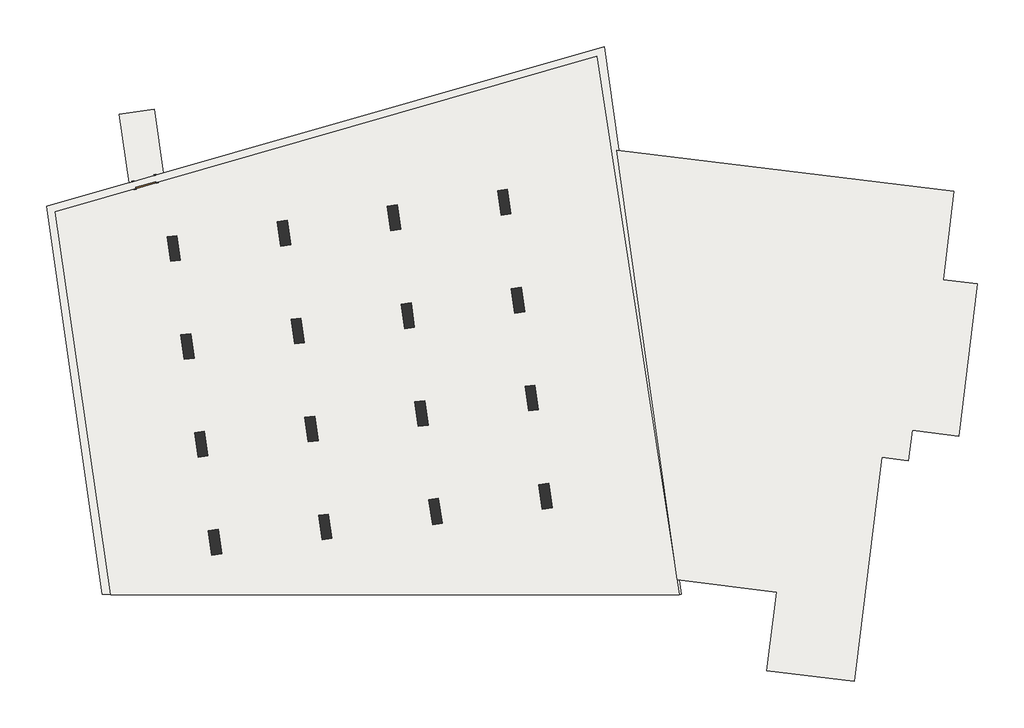
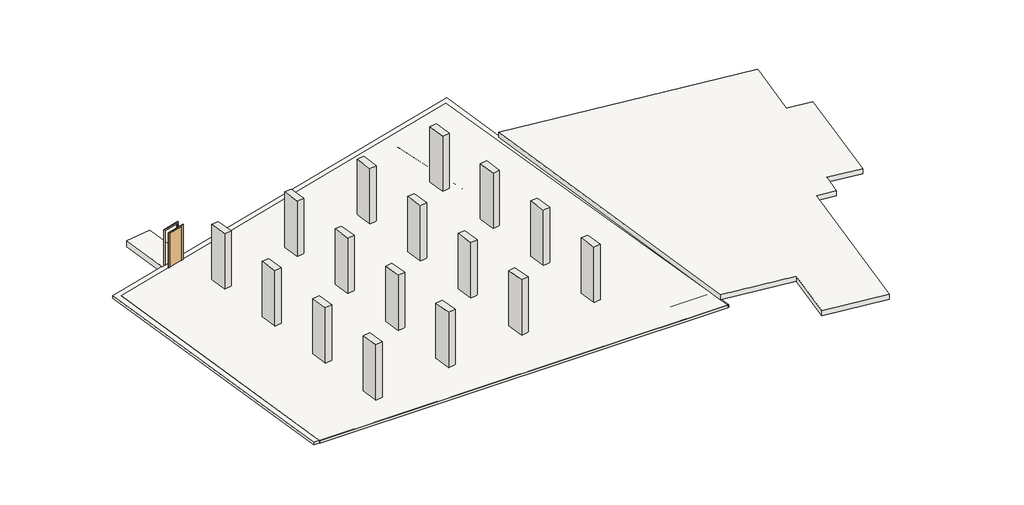
# One storey: 16 walls, 4 slabs, 1 door, 1 roof.
"""IFC4 building model written with IfcOpenShell, lengths in millimetres."""

import ifcopenshell
import ifcopenshell.guid

model = None  # the IFC model being written
_history = None  # IfcOwnerHistory: only IFC2X3 demands one
_inside = {}  # id of a spatial element -> (the spatial element, [elements in it])
_under = {}  # id of a project, library or spatial element -> (it, [spatial elements below it])
_declared = {}  # id of a project -> (the project, [libraries it declares])
_typed = {}  # id of a type object -> (the type object, [elements of that type])
_made_of = {}  # id of a material, layer set ... -> (it, [elements and type objects made of it])


def new_model(schema):
    """Start an empty IFC model of exactly this schema.

    Asked for "IFC4X3", IfcOpenShell would pick the latest addendum, in which some entities
    have other attributes; the version numbers below select the first issue.
    IFC2X3 requires an IfcOwnerHistory on every rooted entity: one is made here for all.
    """
    global model, _history
    if schema == "IFC4X3":
        model = ifcopenshell.file(schema_version=(4, 3, 0, 0))
    else:
        model = ifcopenshell.file(schema=schema)
    _inside.clear()
    _under.clear()
    _declared.clear()
    _typed.clear()
    _made_of.clear()
    _history = None
    if model.schema == "IFC2X3":
        org = make("IfcOrganization", Name="unknown")
        user = make(
            "IfcPersonAndOrganization",
            ThePerson=make("IfcPerson", FamilyName="unknown"),
            TheOrganization=org,
        )
        app = make(
            "IfcApplication",
            ApplicationDeveloper=org,
            Version="unknown",
            ApplicationFullName="unknown",
            ApplicationIdentifier="unknown",
        )
        _history = make(
            "IfcOwnerHistory",
            OwningUser=user,
            OwningApplication=app,
            ChangeAction="ADDED",
            CreationDate=0,
        )
    return model


def make(cls, **values):
    """One entity of the class cls with the attributes given. An attribute that is None is left unset."""
    return model.create_entity(
        cls, **{name: value for name, value in values.items() if value is not None}
    )


def rooted(cls, **values):
    """An entity with a GlobalId (a new one), such as an element, a storey or a relation."""
    return make(cls, GlobalId=ifcopenshell.guid.new(), OwnerHistory=_history, **values)


def si_unit(unit_type, name, prefix=None):
    """IfcSIUnit, for example si_unit("LENGTHUNIT", "METRE", prefix="MILLI")."""
    return make("IfcSIUnit", UnitType=unit_type, Prefix=prefix, Name=name)


def assignment(units):
    """IfcUnitAssignment: the units of a project."""
    return None if units is None else make("IfcUnitAssignment", Units=units)


def point(xyz):
    """IfcCartesianPoint."""
    return None if xyz is None else make("IfcCartesianPoint", Coordinates=xyz)


def direction(xyz):
    """IfcDirection."""
    return None if xyz is None else make("IfcDirection", DirectionRatios=xyz)


def frame(location, z_axis=None, x_axis=None):
    """IfcAxis2Placement3D, a coordinate frame: its origin and axes. An axis left out is left unset."""
    return make(
        "IfcAxis2Placement3D",
        Location=point(location),
        Axis=direction(z_axis),
        RefDirection=direction(x_axis),
    )


def frame_2d(location, x_axis=None):
    """IfcAxis2Placement2D, a coordinate frame in the plane: its origin and x axis."""
    return make(
        "IfcAxis2Placement2D", Location=point(location), RefDirection=direction(x_axis)
    )


def origin():
    """The frame at (0, 0, 0) with its axes left unset."""
    return frame((0.0, 0.0, 0.0))


def origin_with_axes():
    """The frame at (0, 0, 0) with the z axis (0, 0, 1) and the x axis (1, 0, 0) written out."""
    return frame((0.0, 0.0, 0.0), z_axis=(0.0, 0.0, 1.0), x_axis=(1.0, 0.0, 0.0))


def place(relative_to, where):
    """IfcLocalPlacement: puts the frame where relative to a parent placement (None: the world)."""
    return make(
        "IfcLocalPlacement", PlacementRelTo=relative_to, RelativePlacement=where
    )


def context(
    kind, dimensions, precision=None, world=None, true_north=None, identifier=None
):
    """IfcGeometricRepresentationContext, for example the 3D "Model" context."""
    return make(
        "IfcGeometricRepresentationContext",
        ContextIdentifier=identifier,
        ContextType=kind,
        CoordinateSpaceDimension=dimensions,
        Precision=precision,
        WorldCoordinateSystem=world,
        TrueNorth=true_north,
    )


def project(units=None, contexts=None):
    """IfcProject with its units and contexts."""
    return rooted(
        "IfcProject",
        Name="project",
        RepresentationContexts=contexts,
        UnitsInContext=assignment(units),
    )


def spatial(cls, under=None, at=None, **own):
    """A site, building, storey or space (cls), placed at a placement, below another one or the project."""
    s = rooted(cls, ObjectPlacement=at, **own)
    if under is not None:
        _under.setdefault(under.id(), (under, []))[1].append(s)
    return s


def polyline(points):
    """IfcPolyline through the points."""
    return make("IfcPolyline", Points=[point(p) for p in points])


def circle_curve(where, radius):
    """IfcCircle in the frame where."""
    return make("IfcCircle", Position=where, Radius=radius)


def trimmed(basis, trim1, trim2, sense, master):
    """IfcTrimmedCurve: the piece of a basis curve between two trims."""
    return make(
        "IfcTrimmedCurve",
        BasisCurve=basis,
        Trim1=trim1,
        Trim2=trim2,
        SenseAgreement=sense,
        MasterRepresentation=master,
    )


def segment(curve, same_sense, transition):
    """IfcCompositeCurveSegment."""
    return make(
        "IfcCompositeCurveSegment",
        Transition=transition,
        SameSense=same_sense,
        ParentCurve=curve,
    )


def composite_curve(segments, self_intersect=None):
    """IfcCompositeCurve: segments joined end to end."""
    return make("IfcCompositeCurve", Segments=segments, SelfIntersect=self_intersect)


def outline(outer, holes=None, kind="AREA"):
    """IfcArbitraryClosedProfileDef: a profile drawn as a closed curve; with holes, ...WithVoids."""
    if holes is None:
        return make("IfcArbitraryClosedProfileDef", ProfileType=kind, OuterCurve=outer)
    return make(
        "IfcArbitraryProfileDefWithVoids",
        ProfileType=kind,
        OuterCurve=outer,
        InnerCurves=holes,
    )


def extrude(swept, where, along, depth):
    """IfcExtrudedAreaSolid: the profile swept, set in the frame where, extruded along a direction by depth."""
    return make(
        "IfcExtrudedAreaSolid",
        SweptArea=swept,
        Position=where,
        ExtrudedDirection=direction(along),
        Depth=depth,
    )


def shape(context_of_items, identifier, shape_type, items):
    """IfcShapeRepresentation: the items that make up one representation, for example the "Body"."""
    return make(
        "IfcShapeRepresentation",
        ContextOfItems=context_of_items,
        RepresentationIdentifier=identifier,
        RepresentationType=shape_type,
        Items=items,
    )


def source(mapping_origin, context_of_items, identifier, shape_type, items):
    """IfcRepresentationMap: a shape defined once, which mapped items show again and again."""
    return make(
        "IfcRepresentationMap",
        MappingOrigin=mapping_origin,
        MappedRepresentation=shape(context_of_items, identifier, shape_type, items),
    )


def transform(
    local_origin,
    x_axis=None,
    y_axis=None,
    z_axis=None,
    scale=None,
    scale2=None,
    scale3=None,
    uniform=True,
):
    """IfcCartesianTransformationOperator3D, or its non-uniform kind. x_axis, y_axis, z_axis: its Axis1, 2, 3."""
    if uniform:
        return make(
            "IfcCartesianTransformationOperator3D",
            Axis1=direction(x_axis),
            Axis2=direction(y_axis),
            LocalOrigin=point(local_origin),
            Scale=scale,
            Axis3=direction(z_axis),
        )
    return make(
        "IfcCartesianTransformationOperator3DnonUniform",
        Axis1=direction(x_axis),
        Axis2=direction(y_axis),
        LocalOrigin=point(local_origin),
        Scale=scale,
        Axis3=direction(z_axis),
        Scale2=scale2,
        Scale3=scale3,
    )


def mapped(mapping_source, mapping_target):
    """IfcMappedItem: shows the shape of a source again, moved by a transform."""
    return make(
        "IfcMappedItem", MappingSource=mapping_source, MappingTarget=mapping_target
    )


def made_of(thing, what):
    """Note that an element or type object is made of a material, layer set ...; save() writes the relation."""
    if what is not None:
        _made_of.setdefault(what.id(), (what, []))[1].append(thing)
    return thing


def element(
    cls,
    number,
    at=None,
    inside=None,
    cuts=None,
    type_object=None,
    material=None,
    context=None,
    identifier="Body",
    shape_type=None,
    held_by="IfcProductDefinitionShape",
    body=None,
    shapes=None,
    **own,
):
    """One element of the class cls, such as IfcWall. Its Tag is "e" and its number.

    at: its placement. inside: the storey or other place that contains it. cuts: it is an
    opening in that element (IfcRelVoidsElement). A single representation is given by context,
    identifier, shape_type and body (its items); several are given by shapes. held_by: the class
    of the entity that holds the representations. save() writes the other relations.
    """
    e = rooted(cls, Tag="e%d" % number, ObjectPlacement=at, **own)
    if body is not None:
        shapes = [shape(context, identifier, shape_type, body)]
    if shapes is not None:
        e.Representation = make(held_by, Representations=shapes)
    if inside is not None:
        _inside.setdefault(inside.id(), (inside, []))[1].append(e)
    if cuts is not None:
        rooted(
            "IfcRelVoidsElement", RelatingBuildingElement=cuts, RelatedOpeningElement=e
        )
    if type_object is not None:
        _typed.setdefault(type_object.id(), (type_object, []))[1].append(e)
    return made_of(e, material)


def aggregate(whole, parts):
    """IfcRelAggregates: a whole, such as a stair, and the parts it consists of."""
    return rooted("IfcRelAggregates", RelatingObject=whole, RelatedObjects=parts)


def save(model, path):
    """Write the relations noted so far, then the file.

    IfcRelAggregates (storeys below a building ...), IfcRelContainedInSpatialStructure (elements
    in a storey), IfcRelDefinesByType, IfcRelAssociatesMaterial and IfcRelDeclares: one each for
    every whole, place, type object, material and project.
    """
    for whole, parts in _under.values():
        aggregate(whole, parts)
    for where, things in _inside.values():
        rooted(
            "IfcRelContainedInSpatialStructure",
            RelatedElements=things,
            RelatingStructure=where,
        )
    for kind, things in _typed.values():
        rooted("IfcRelDefinesByType", RelatedObjects=things, RelatingType=kind)
    for what, things in _made_of.values():
        rooted("IfcRelAssociatesMaterial", RelatedObjects=things, RelatingMaterial=what)
    for by, libraries in _declared.values():
        rooted("IfcRelDeclares", RelatingContext=by, RelatedDefinitions=libraries)
    model.write(path)


def door_0762_x_2032mm_eb2e5302(model_context):
    return source(origin(), model_context, "Body", "SweptSolid", [
        extrude(outline(polyline([(2108.0, -501.0), (0.0, -501.0), (0.0, -425.0), (2032.0, -425.0), (2032.0, 425.0), (0.0, 425.0), (0.0, 501.0), (2108.0, 501.0), (2108.0, -501.0)])), frame((0.0, -175.0, 0.0), z_axis=(0.0, 1.0, 0.0), x_axis=(0.0, 0.0, 1.0)), (0.0, 0.0, 1.0), 25.0),
        extrude(outline(polyline([(2108.0, 501.0), (2108.0, -501.0), (0.0, -501.0), (0.0, -425.0), (2032.0, -425.0), (2032.0, 425.0), (0.0, 425.0), (0.0, 501.0), (2108.0, 501.0)])), frame((0.0, 150.0, 0.0), z_axis=(0.0, 1.0, 0.0), x_axis=(0.0, 0.0, 1.0)), (0.0, 0.0, 1.0), 25.0),
        extrude(outline(polyline([(425.0, -99.0), (425.0, -150.0), (-425.0, -150.0), (-425.0, -99.0), (425.0, -99.0)])), origin_with_axes(), (0.0, 0.0, 1.0), 2032.0),
    ])


model = new_model("IFC4")

# Units and contexts
model_context = context("Model", 3, world=origin())
ifc_project = project(units=[si_unit("LENGTHUNIT", "METRE", prefix="MILLI")], contexts=[model_context])

# Site, building, storey
site = spatial("IfcSite", under=ifc_project)
building = spatial("IfcBuilding", under=site)
storey = spatial("IfcBuildingStorey", under=building, Elevation=19200.0)

# Door
placement = place(None, origin())
door_0762_x_2032mm_shape = door_0762_x_2032mm_eb2e5302(model_context)
element("IfcDoor", 1, ObjectType="0762 x 2032mm", at=placement, inside=storey, context=model_context, shape_type="MappedRepresentation", body=[
    mapped(door_0762_x_2032mm_shape, transform((-38680.3678833, 47608.4073372, 19200.0), x_axis=(0.9612616959383197, 0.27563735581699605, 0.0), y_axis=(-0.27563735581699605, 0.9612616959383197, 0.0), z_axis=(0.0, 0.0, 1.0))),
])

# Roof
element("IfcRoof", 2, at=placement, inside=storey, context=model_context, shape_type="SweptSolid", body=[
    extrude(outline(polyline([(-19599.9741011, 48903.7142202), (-5967.0578254, 47229.8025815), (-6405.7874617, 43656.6364356), (-5016.2228494, 43486.0193548), (-5771.8127785, 37332.2332146), (-7657.6504666, 37563.7849671), (-7807.0750152, 36346.8196782), (-8878.9297762, 36478.4268944), (-9990.9893352, 27421.4285973), (-13529.1624082, 27855.8616244), (-13139.7170873, 31027.639232), (-17156.978446, 31520.8969039), (-19599.9741011, 48903.7142202)])), frame((0.0, 0.0, 19200.0), z_axis=(0.0, 0.0, 1.0), x_axis=(1.0, 0.0, 0.0)), (0.0, 0.0, 1.0), 295.0),
])

# Slabs
element("IfcSlab", 3, at=placement, inside=storey, context=model_context, shape_type="SweptSolid", body=[
    extrude(outline(composite_curve([segment(polyline([(-20263.0470109, 51769.4955367), (-17512.9865359, 32201.7984983), (-21703.714395, 32201.7984983)]), True, "CONTINUOUS"), segment(trimmed(circle_curve(frame_2d((-93280.8895432, 31530.4105825)), 71580.3238602), [point((-21703.714395, 32201.7984983))], [point((-24291.4331799, 50614.3743906))], True, "CARTESIAN"), True, "CONTINUOUS"), segment(polyline([(-24291.4331799, 50614.3743906), (-20263.0470109, 51769.4955367)]), True, "CONTINUOUS")], self_intersect=False)), frame((0.0, 0.0, 19050.0), z_axis=(0.0, 0.0, 1.0), x_axis=(1.0, 0.0, 0.0)), (0.0, 0.0, 1.0), 150.0),
])
element("IfcSlab", 4, at=placement, inside=storey, context=model_context, shape_type="SweptSolid", body=[
    extrude(outline(polyline([(-20403.2094924, 52693.2532552), (-17072.7565558, 30921.6270169), (-40072.7565558, 30921.6270169), (-42304.1026176, 46413.2732075), (-20403.2094924, 52693.2532552)])), frame((0.0, 0.0, 19050.0), z_axis=(0.0, 0.0, 1.0), x_axis=(1.0, 0.0, 0.0)), (0.0, 0.0, 1.0), 150.0),
])
element("IfcSlab", 5, at=placement, inside=storey, context=model_context, shape_type="SweptSolid", body=[
    extrude(outline(polyline([(-20114.1908213, 53088.2178563), (-17000.286409, 30931.6366829), (-40400.286409, 30931.6366829), (-42660.4260294, 46623.1889441), (-20114.1908213, 53088.2178563)])), frame((0.0, 0.0, 19050.0), z_axis=(0.0, 0.0, 1.0), x_axis=(1.0, 0.0, 0.0)), (0.0, 0.0, 1.0), 150.0),
])
element("IfcSlab", 6, ObjectType="Concreto-comercial 362 mm", at=placement, inside=storey, context=model_context, shape_type="SweptSolid", body=[
    extrude(outline(polyline([(-38295.8959411, 50554.3423267), (-37933.8852888, 47978.5026921), (-39324.2426357, 47579.8241383), (-39714.2685964, 50355.0030498), (-38295.8959411, 50554.3423267)])), frame((0.0, 0.0, 18838.0), z_axis=(0.0, 0.0, 1.0), x_axis=(1.0, 0.0, 0.0)), (0.0, 0.0, 1.0), 362.0),
])

# Walls
element("IfcWall", 7, at=placement, inside=storey, context=model_context, shape_type="SweptSolid", body=[
    extrude(outline(polyline([(-37644.0608624, 44397.2451594), (-37786.6250598, 45387.0307168), (-37390.7108369, 45444.0563958), (-37248.1466395, 44454.2708384), (-37644.0608624, 44397.2451594)])), frame((0.0, 0.0, 19200.0), z_axis=(0.0, 0.0, 1.0), x_axis=(1.0, 0.0, 0.0)), (0.0, 0.0, 1.0), 3300.0),
])
element("IfcWall", 8, at=placement, inside=storey, context=model_context, shape_type="SweptSolid", body=[
    extrude(outline(polyline([(-33191.0862208, 45021.9005085), (-33330.2593217, 46012.1685773), (-32934.1520942, 46067.8378177), (-32794.9789933, 45077.5697489), (-33191.0862208, 45021.9005085)])), frame((0.0, 0.0, 19200.0), z_axis=(0.0, 0.0, 1.0), x_axis=(1.0, 0.0, 0.0)), (0.0, 0.0, 1.0), 3300.0),
])
element("IfcWall", 9, at=placement, inside=storey, context=model_context, shape_type="SweptSolid", body=[
    extrude(outline(polyline([(-28734.6244807, 45646.3600796), (-28873.7975817, 46636.6281484), (-28477.6903542, 46692.2973888), (-28338.5172532, 45702.02932), (-28734.6244807, 45646.3600796)])), frame((0.0, 0.0, 19200.0), z_axis=(0.0, 0.0, 1.0), x_axis=(1.0, 0.0, 0.0)), (0.0, 0.0, 1.0), 3300.0),
])
element("IfcWall", 10, at=placement, inside=storey, context=model_context, shape_type="SweptSolid", body=[
    extrude(outline(polyline([(-24278.1622403, 46270.8197208), (-24417.3353413, 47261.0877896), (-24021.2281138, 47316.75703), (-23882.0550128, 46326.4889612), (-24278.1622403, 46270.8197208)])), frame((0.0, 0.0, 19200.0), z_axis=(0.0, 0.0, 1.0), x_axis=(1.0, 0.0, 0.0)), (0.0, 0.0, 1.0), 3300.0),
])
element("IfcWall", 11, at=placement, inside=storey, context=model_context, shape_type="SweptSolid", body=[
    extrude(outline(polyline([(-37090.8513234, 40436.3689191), (-37230.0244244, 41426.6369878), (-36833.9171969, 41482.3062282), (-36694.7440959, 40492.0381595), (-37090.8513234, 40436.3689191)])), frame((0.0, 0.0, 19200.0), z_axis=(0.0, 0.0, 1.0), x_axis=(1.0, 0.0, 0.0)), (0.0, 0.0, 1.0), 3300.0),
])
element("IfcWall", 12, at=placement, inside=storey, context=model_context, shape_type="SweptSolid", body=[
    extrude(outline(polyline([(-32631.1563466, 41062.4463919), (-32773.7213803, 42052.2377555), (-32377.8071573, 42109.2634345), (-32235.2421236, 41119.4720708), (-32631.1563466, 41062.4463919)])), frame((0.0, 0.0, 19200.0), z_axis=(0.0, 0.0, 1.0), x_axis=(1.0, 0.0, 0.0)), (0.0, 0.0, 1.0), 3300.0),
])
element("IfcWall", 13, at=placement, inside=storey, context=model_context, shape_type="SweptSolid", body=[
    extrude(outline(polyline([(-28177.9273394, 41685.2881319), (-28317.1004403, 42675.5562006), (-27920.9932128, 42731.225441), (-27781.8201119, 41740.9573723), (-28177.9273394, 41685.2881319)])), frame((0.0, 0.0, 19200.0), z_axis=(0.0, 0.0, 1.0), x_axis=(1.0, 0.0, 0.0)), (0.0, 0.0, 1.0), 3300.0),
])
element("IfcWall", 14, at=placement, inside=storey, context=model_context, shape_type="SweptSolid", body=[
    extrude(outline(polyline([(-23721.4650972, 42309.7477733), (-23860.6381982, 43300.0158421), (-23464.5309707, 43355.6850824), (-23325.3578697, 42365.4170137), (-23721.4650972, 42309.7477733)])), frame((0.0, 0.0, 19200.0), z_axis=(0.0, 0.0, 1.0), x_axis=(1.0, 0.0, 0.0)), (0.0, 0.0, 1.0), 3300.0),
])
element("IfcWall", 15, at=placement, inside=storey, context=model_context, shape_type="SweptSolid", body=[
    extrude(outline(polyline([(-36277.2118439, 37521.235347), (-36138.038743, 36530.9672782), (-36534.1459705, 36475.2980378), (-36673.3190714, 37465.5661066), (-36277.2118439, 37521.235347)])), frame((0.0, 0.0, 19200.0), z_axis=(0.0, 0.0, 1.0), x_axis=(1.0, 0.0, 0.0)), (0.0, 0.0, 1.0), 3300.0),
])
element("IfcWall", 16, at=placement, inside=storey, context=model_context, shape_type="SweptSolid", body=[
    extrude(outline(polyline([(-31820.7496017, 38145.6949884), (-31681.5765008, 37155.4269197), (-32077.6837283, 37099.7576793), (-32216.8568292, 38090.025748), (-31820.7496017, 38145.6949884)])), frame((0.0, 0.0, 19200.0), z_axis=(0.0, 0.0, 1.0), x_axis=(1.0, 0.0, 0.0)), (0.0, 0.0, 1.0), 3300.0),
])
element("IfcWall", 17, at=placement, inside=storey, context=model_context, shape_type="SweptSolid", body=[
    extrude(outline(polyline([(-27368.0448777, 38772.1736088), (-27225.479844, 37782.3822451), (-27621.394067, 37725.3565662), (-27763.9591007, 38715.1479298), (-27368.0448777, 38772.1736088)])), frame((0.0, 0.0, 19200.0), z_axis=(0.0, 0.0, 1.0), x_axis=(1.0, 0.0, 0.0)), (0.0, 0.0, 1.0), 3300.0),
])
element("IfcWall", 18, at=placement, inside=storey, context=model_context, shape_type="SweptSolid", body=[
    extrude(outline(polyline([(-22911.8383281, 39398.4525969), (-22769.2732944, 38408.6612332), (-23165.1875173, 38351.6355542), (-23307.752551, 39341.4269179), (-22911.8383281, 39398.4525969)])), frame((0.0, 0.0, 19200.0), z_axis=(0.0, 0.0, 1.0), x_axis=(1.0, 0.0, 0.0)), (0.0, 0.0, 1.0), 3300.0),
])
element("IfcWall", 19, at=placement, inside=storey, context=model_context, shape_type="SweptSolid", body=[
    extrude(outline(polyline([(-22354.6336573, 35433.7354977), (-22212.0694599, 34443.9499403), (-22607.9836828, 34386.9242613), (-22750.5478802, 35376.7098187), (-22354.6336573, 35433.7354977)])), frame((0.0, 0.0, 19200.0), z_axis=(0.0, 0.0, 1.0), x_axis=(1.0, 0.0, 0.0)), (0.0, 0.0, 1.0), 3300.0),
])
element("IfcWall", 20, at=placement, inside=storey, context=model_context, shape_type="SweptSolid", body=[
    extrude(outline(polyline([(-26812.487679, 34814.5860066), (-26652.9245246, 33807.1438992), (-27047.9998609, 33744.5701132), (-27207.5630152, 34752.0122206), (-26812.487679, 34814.5860066)])), frame((0.0, 0.0, 19200.0), z_axis=(0.0, 0.0, 1.0), x_axis=(1.0, 0.0, 0.0)), (0.0, 0.0, 1.0), 3300.0),
])
element("IfcWall", 21, at=placement, inside=storey, context=model_context, shape_type="SweptSolid", body=[
    extrude(outline(polyline([(-31264.048518, 34184.6235931), (-31124.875417, 33194.3555243), (-31520.9826445, 33138.6862839), (-31660.1557455, 34128.9543527), (-31264.048518, 34184.6235931)])), frame((0.0, 0.0, 19200.0), z_axis=(0.0, 0.0, 1.0), x_axis=(1.0, 0.0, 0.0)), (0.0, 0.0, 1.0), 3300.0),
])
element("IfcWall", 22, at=placement, inside=storey, context=model_context, shape_type="SweptSolid", body=[
    extrude(outline(polyline([(-35720.2637007, 33558.3433917), (-35581.0905997, 32568.0753229), (-35977.1978272, 32512.4060826), (-36116.3709282, 33502.6741513), (-35720.2637007, 33558.3433917)])), frame((0.0, 0.0, 19200.0), z_axis=(0.0, 0.0, 1.0), x_axis=(1.0, 0.0, 0.0)), (0.0, 0.0, 1.0), 3300.0),
])

save(model, "model.ifc")
